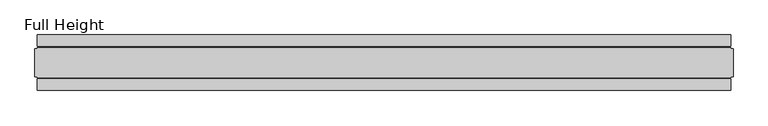
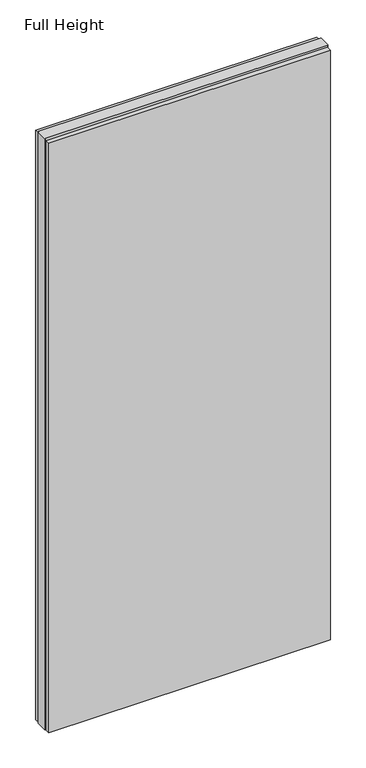
"""IFC4 building model written with IfcOpenShell, lengths in millimetres: plate geometry, Full Height."""

from ifc_helpers import new_model, si_unit, origin, origin_with_axes, place, context, project, spatial, polyline, outline, extrude, source, transform, mapped, element, save


def full_height_95de58f3(model_context):
    return source(origin(), model_context, "Body", "SweptSolid", [
        extrude(outline(polyline([(617.728, 28.956), (-617.728, 28.956), (-617.728, 49.53), (617.728, 49.53), (617.728, 28.956)])), origin_with_axes(), (0.0, 0.0, 1.0), 2734.056),
        extrude(outline(polyline([(617.728, -28.956), (617.728, -49.53), (-617.728, -49.53), (-617.728, -28.956), (617.728, -28.956)])), origin_with_axes(), (0.0, 0.0, 1.0), 2734.056),
        extrude(outline(polyline([(617.728, -25.146), (617.728, -26.67), (-617.728, -26.67), (-617.728, -25.146), (-622.3, -25.146), (-622.3, 25.146), (-617.728, 25.146), (-617.728, 26.67), (617.728, 26.67), (617.728, 25.146), (622.3, 25.146), (622.3, -25.146), (617.728, -25.146)])), origin_with_axes(), (0.0, 0.0, 1.0), 2743.2),
    ])


if __name__ == "__main__":
    model = new_model("IFC4")
    model_context = context("Model", 3, world=origin())
    ifc_project = project(units=[si_unit("LENGTHUNIT", "METRE", prefix="MILLI")], contexts=[model_context])
    site = spatial("IfcSite", under=ifc_project)
    building = spatial("IfcBuilding", under=site)
    placement = place(None, origin())
    full_height_shape = full_height_95de58f3(model_context)
    element("IfcPlate", 1, ObjectType="Full Height", at=placement, inside=building, context=model_context, shape_type="MappedRepresentation", body=[
        mapped(full_height_shape, transform((0.0, 0.0, 0.0), x_axis=(1.0, 0.0, 0.0), y_axis=(0.0, 1.0, 0.0), z_axis=(0.0, 0.0, 1.0))),
    ])
    save(model, "model.ifc")
